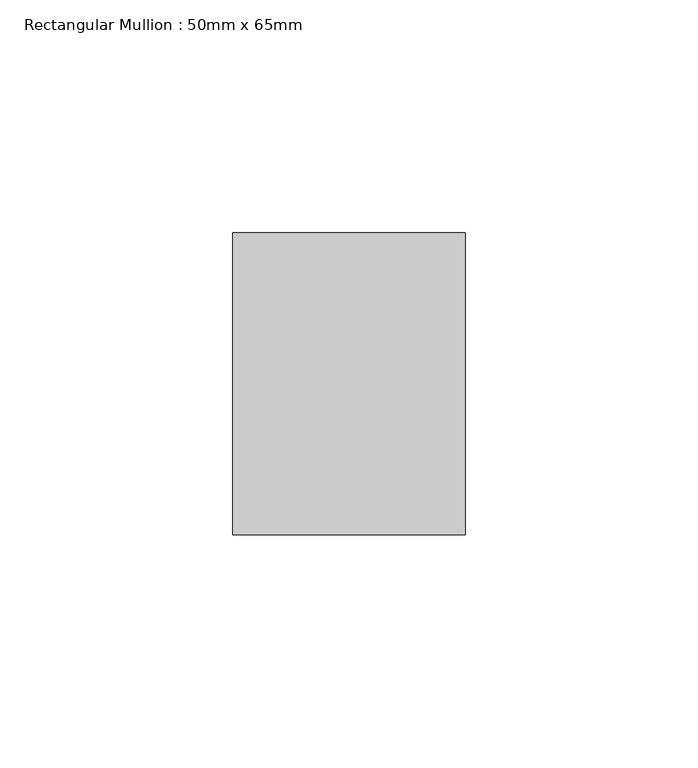
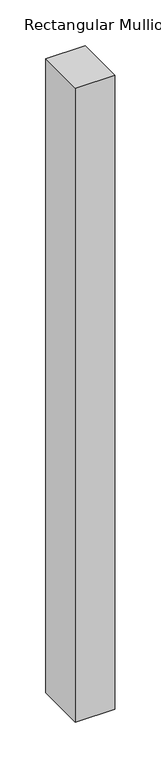
"""IFC4 building model written with IfcOpenShell, lengths in millimetres: member geometry, Rectangular Mullion : 50mm x 65mm."""

import ifcopenshell
import ifcopenshell.guid

model = None  # the IFC model being written
_history = None  # IfcOwnerHistory: only IFC2X3 demands one
_inside = {}  # id of a spatial element -> (the spatial element, [elements in it])
_under = {}  # id of a project, library or spatial element -> (it, [spatial elements below it])
_declared = {}  # id of a project -> (the project, [libraries it declares])
_typed = {}  # id of a type object -> (the type object, [elements of that type])
_made_of = {}  # id of a material, layer set ... -> (it, [elements and type objects made of it])


def new_model(schema):
    """Start an empty IFC model of exactly this schema.

    Asked for "IFC4X3", IfcOpenShell would pick the latest addendum, in which some entities
    have other attributes; the version numbers below select the first issue.
    IFC2X3 requires an IfcOwnerHistory on every rooted entity: one is made here for all.
    """
    global model, _history
    if schema == "IFC4X3":
        model = ifcopenshell.file(schema_version=(4, 3, 0, 0))
    else:
        model = ifcopenshell.file(schema=schema)
    _inside.clear()
    _under.clear()
    _declared.clear()
    _typed.clear()
    _made_of.clear()
    _history = None
    if model.schema == "IFC2X3":
        org = make("IfcOrganization", Name="unknown")
        user = make(
            "IfcPersonAndOrganization",
            ThePerson=make("IfcPerson", FamilyName="unknown"),
            TheOrganization=org,
        )
        app = make(
            "IfcApplication",
            ApplicationDeveloper=org,
            Version="unknown",
            ApplicationFullName="unknown",
            ApplicationIdentifier="unknown",
        )
        _history = make(
            "IfcOwnerHistory",
            OwningUser=user,
            OwningApplication=app,
            ChangeAction="ADDED",
            CreationDate=0,
        )
    return model


def make(cls, **values):
    """One entity of the class cls with the attributes given. An attribute that is None is left unset."""
    return model.create_entity(
        cls, **{name: value for name, value in values.items() if value is not None}
    )


def rooted(cls, **values):
    """An entity with a GlobalId (a new one), such as an element, a storey or a relation."""
    return make(cls, GlobalId=ifcopenshell.guid.new(), OwnerHistory=_history, **values)


def si_unit(unit_type, name, prefix=None):
    """IfcSIUnit, for example si_unit("LENGTHUNIT", "METRE", prefix="MILLI")."""
    return make("IfcSIUnit", UnitType=unit_type, Prefix=prefix, Name=name)


def assignment(units):
    """IfcUnitAssignment: the units of a project."""
    return None if units is None else make("IfcUnitAssignment", Units=units)


def point(xyz):
    """IfcCartesianPoint."""
    return None if xyz is None else make("IfcCartesianPoint", Coordinates=xyz)


def direction(xyz):
    """IfcDirection."""
    return None if xyz is None else make("IfcDirection", DirectionRatios=xyz)


def frame(location, z_axis=None, x_axis=None):
    """IfcAxis2Placement3D, a coordinate frame: its origin and axes. An axis left out is left unset."""
    return make(
        "IfcAxis2Placement3D",
        Location=point(location),
        Axis=direction(z_axis),
        RefDirection=direction(x_axis),
    )


def origin():
    """The frame at (0, 0, 0) with its axes left unset."""
    return frame((0.0, 0.0, 0.0))


def place(relative_to, where):
    """IfcLocalPlacement: puts the frame where relative to a parent placement (None: the world)."""
    return make(
        "IfcLocalPlacement", PlacementRelTo=relative_to, RelativePlacement=where
    )


def context(
    kind, dimensions, precision=None, world=None, true_north=None, identifier=None
):
    """IfcGeometricRepresentationContext, for example the 3D "Model" context."""
    return make(
        "IfcGeometricRepresentationContext",
        ContextIdentifier=identifier,
        ContextType=kind,
        CoordinateSpaceDimension=dimensions,
        Precision=precision,
        WorldCoordinateSystem=world,
        TrueNorth=true_north,
    )


def project(units=None, contexts=None):
    """IfcProject with its units and contexts."""
    return rooted(
        "IfcProject",
        Name="project",
        RepresentationContexts=contexts,
        UnitsInContext=assignment(units),
    )


def spatial(cls, under=None, at=None, **own):
    """A site, building, storey or space (cls), placed at a placement, below another one or the project."""
    s = rooted(cls, ObjectPlacement=at, **own)
    if under is not None:
        _under.setdefault(under.id(), (under, []))[1].append(s)
    return s


def polyline(points):
    """IfcPolyline through the points."""
    return make("IfcPolyline", Points=[point(p) for p in points])


def outline(outer, holes=None, kind="AREA"):
    """IfcArbitraryClosedProfileDef: a profile drawn as a closed curve; with holes, ...WithVoids."""
    if holes is None:
        return make("IfcArbitraryClosedProfileDef", ProfileType=kind, OuterCurve=outer)
    return make(
        "IfcArbitraryProfileDefWithVoids",
        ProfileType=kind,
        OuterCurve=outer,
        InnerCurves=holes,
    )


def extrude(swept, where, along, depth):
    """IfcExtrudedAreaSolid: the profile swept, set in the frame where, extruded along a direction by depth."""
    return make(
        "IfcExtrudedAreaSolid",
        SweptArea=swept,
        Position=where,
        ExtrudedDirection=direction(along),
        Depth=depth,
    )


def shape(context_of_items, identifier, shape_type, items):
    """IfcShapeRepresentation: the items that make up one representation, for example the "Body"."""
    return make(
        "IfcShapeRepresentation",
        ContextOfItems=context_of_items,
        RepresentationIdentifier=identifier,
        RepresentationType=shape_type,
        Items=items,
    )


def source(mapping_origin, context_of_items, identifier, shape_type, items):
    """IfcRepresentationMap: a shape defined once, which mapped items show again and again."""
    return make(
        "IfcRepresentationMap",
        MappingOrigin=mapping_origin,
        MappedRepresentation=shape(context_of_items, identifier, shape_type, items),
    )


def transform(
    local_origin,
    x_axis=None,
    y_axis=None,
    z_axis=None,
    scale=None,
    scale2=None,
    scale3=None,
    uniform=True,
):
    """IfcCartesianTransformationOperator3D, or its non-uniform kind. x_axis, y_axis, z_axis: its Axis1, 2, 3."""
    if uniform:
        return make(
            "IfcCartesianTransformationOperator3D",
            Axis1=direction(x_axis),
            Axis2=direction(y_axis),
            LocalOrigin=point(local_origin),
            Scale=scale,
            Axis3=direction(z_axis),
        )
    return make(
        "IfcCartesianTransformationOperator3DnonUniform",
        Axis1=direction(x_axis),
        Axis2=direction(y_axis),
        LocalOrigin=point(local_origin),
        Scale=scale,
        Axis3=direction(z_axis),
        Scale2=scale2,
        Scale3=scale3,
    )


def mapped(mapping_source, mapping_target):
    """IfcMappedItem: shows the shape of a source again, moved by a transform."""
    return make(
        "IfcMappedItem", MappingSource=mapping_source, MappingTarget=mapping_target
    )


def made_of(thing, what):
    """Note that an element or type object is made of a material, layer set ...; save() writes the relation."""
    if what is not None:
        _made_of.setdefault(what.id(), (what, []))[1].append(thing)
    return thing


def element(
    cls,
    number,
    at=None,
    inside=None,
    cuts=None,
    type_object=None,
    material=None,
    context=None,
    identifier="Body",
    shape_type=None,
    held_by="IfcProductDefinitionShape",
    body=None,
    shapes=None,
    **own,
):
    """One element of the class cls, such as IfcWall. Its Tag is "e" and its number.

    at: its placement. inside: the storey or other place that contains it. cuts: it is an
    opening in that element (IfcRelVoidsElement). A single representation is given by context,
    identifier, shape_type and body (its items); several are given by shapes. held_by: the class
    of the entity that holds the representations. save() writes the other relations.
    """
    e = rooted(cls, Tag="e%d" % number, ObjectPlacement=at, **own)
    if body is not None:
        shapes = [shape(context, identifier, shape_type, body)]
    if shapes is not None:
        e.Representation = make(held_by, Representations=shapes)
    if inside is not None:
        _inside.setdefault(inside.id(), (inside, []))[1].append(e)
    if cuts is not None:
        rooted(
            "IfcRelVoidsElement", RelatingBuildingElement=cuts, RelatedOpeningElement=e
        )
    if type_object is not None:
        _typed.setdefault(type_object.id(), (type_object, []))[1].append(e)
    return made_of(e, material)


def aggregate(whole, parts):
    """IfcRelAggregates: a whole, such as a stair, and the parts it consists of."""
    return rooted("IfcRelAggregates", RelatingObject=whole, RelatedObjects=parts)


def save(model, path):
    """Write the relations noted so far, then the file.

    IfcRelAggregates (storeys below a building ...), IfcRelContainedInSpatialStructure (elements
    in a storey), IfcRelDefinesByType, IfcRelAssociatesMaterial and IfcRelDeclares: one each for
    every whole, place, type object, material and project.
    """
    for whole, parts in _under.values():
        aggregate(whole, parts)
    for where, things in _inside.values():
        rooted(
            "IfcRelContainedInSpatialStructure",
            RelatedElements=things,
            RelatingStructure=where,
        )
    for kind, things in _typed.values():
        rooted("IfcRelDefinesByType", RelatedObjects=things, RelatingType=kind)
    for what, things in _made_of.values():
        rooted("IfcRelAssociatesMaterial", RelatedObjects=things, RelatingMaterial=what)
    for by, libraries in _declared.values():
        rooted("IfcRelDeclares", RelatingContext=by, RelatedDefinitions=libraries)
    model.write(path)


def rectangular_mullion_50mm_x_65mm_a16b8041(model_context):
    return source(origin(), model_context, "Body", "SweptSolid", [
        extrude(outline(polyline([(25.0, 32.5), (25.0, -32.5), (-25.0, -32.5), (-25.0, 32.5), (25.0, 32.5)])), frame((0.0, 0.0, -846.724935), z_axis=(0.0, 0.0, 1.0), x_axis=(1.0, 0.0, 0.0)), (0.0, 0.0, 1.0), 846.724935),
    ])


if __name__ == "__main__":
    model = new_model("IFC4")
    model_context = context("Model", 3, world=origin())
    ifc_project = project(units=[si_unit("LENGTHUNIT", "METRE", prefix="MILLI")], contexts=[model_context])
    site = spatial("IfcSite", under=ifc_project)
    building = spatial("IfcBuilding", under=site)
    placement = place(None, origin())
    rectangular_mullion_50mm_x_65mm_shape = rectangular_mullion_50mm_x_65mm_a16b8041(model_context)
    element("IfcMember", 1, ObjectType="Rectangular Mullion : 50mm x 65mm", at=placement, inside=building, context=model_context, shape_type="MappedRepresentation", body=[
        mapped(rectangular_mullion_50mm_x_65mm_shape, transform((0.0, 0.0, 0.0), x_axis=(1.0, 0.0, 0.0), y_axis=(0.0, 1.0, 0.0), z_axis=(0.0, 0.0, 1.0))),
    ])
    save(model, "model.ifc")
